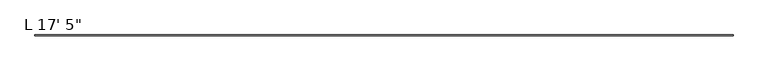
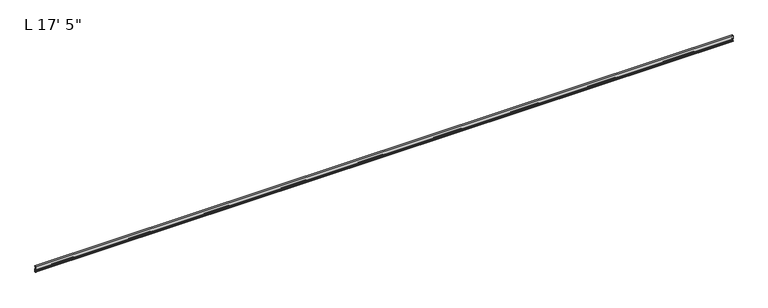
"""IFC4 building model written with IfcOpenShell, lengths in millimetres: proxy geometry."""

from ifc_helpers import new_model, si_unit, point, frame, frame_2d, origin, place, context, project, spatial, polyline, circle_curve, trimmed, segment, composite_curve, outline, extrude, source, transform, mapped, element, save


def proxy_025b324b(model_context):
    return source(origin(), model_context, "Body", "SweptSolid", [
        extrude(outline(composite_curve([segment(trimmed(circle_curve(frame_2d((14.5481808, -29.2063136)), 3.048), [point((13.6400687, -32.1158903))], [point((11.9462301, -30.7938136))], False, "CARTESIAN"), True, "CONTINUOUS"), segment(trimmed(circle_curve(frame_2d((14.5481808, -29.2063136)), 3.048), [point((11.9462301, -30.7938136))], [point((13.6400687, -26.2967369))], False, "CARTESIAN"), True, "CONTINUOUS"), segment(polyline([(13.6400687, -26.2967369), (15.4364113, -25.7360779)]), True, "CONTINUOUS"), segment(trimmed(circle_curve(frame_2d((15.6245238, -26.2747792)), 0.5706009), [point((15.4364113, -25.7360779))], [point((16.1779173, -26.4138515))], False, "CARTESIAN"), True, "CONTINUOUS"), segment(trimmed(circle_curve(frame_2d((16.9169378, -26.5995734)), 0.762), [point((16.1779173, -26.4138515))], [point((16.9376166, -27.3612928))], True, "CARTESIAN"), True, "CONTINUOUS"), segment(trimmed(circle_curve(frame_2d((16.9545, -26.8535734)), 0.508), [point((16.9376166, -27.3612928))], [point((17.4625, -26.8535734))], True, "CARTESIAN"), True, "CONTINUOUS"), segment(polyline([(17.4625, -26.8535734), (17.4625, -15.6659614), (17.9716639, -14.7485418), (17.9716639, -13.408381), (17.4625, -12.4909614), (17.4625, -10.1123329)]), True, "CONTINUOUS"), segment(trimmed(circle_curve(frame_2d((15.875, -10.1123329)), 1.5875), [point((17.4625, -10.1123329))], [point((15.875, -8.5248329))], True, "CARTESIAN"), True, "CONTINUOUS"), segment(polyline([(15.875, -8.5248329), (11.1125, -8.5248329), (11.1125, 16.8792515), (19.05, 16.8792515), (19.05, 13.7042515), (17.4625, 13.7042515), (17.4625, 15.2917515), (12.7, 15.2917515), (12.7, -6.9145734), (17.4625, -6.9145734)]), True, "CONTINUOUS"), segment(trimmed(circle_curve(frame_2d((17.4625, -8.5020734)), 1.5875), [point((17.4625, -6.9145734))], [point((19.05, -8.5020734))], False, "CARTESIAN"), True, "CONTINUOUS"), segment(polyline([(19.05, -8.5020734), (19.05, -29.1395734), (17.7424378, -29.1395734)]), True, "CONTINUOUS"), segment(trimmed(circle_curve(frame_2d((17.7424378, -30.7270734)), 1.5875), [point((17.7424378, -29.1395734))], [point((16.1549378, -30.7270734))], True, "CARTESIAN"), True, "CONTINUOUS"), segment(polyline([(16.1549378, -30.7270734), (16.1549378, -32.2686835)]), True, "CONTINUOUS"), segment(trimmed(circle_curve(frame_2d((15.6853088, -32.2686835)), 0.4696291), [point((16.1549378, -32.2686835))], [point((15.4750158, -32.6885982))], False, "CARTESIAN"), True, "CONTINUOUS"), segment(polyline([(15.4750158, -32.6885982), (13.6400687, -32.1158903)]), True, "CONTINUOUS")], self_intersect=False)), frame((-5003.8, 0.0, 0.0), z_axis=(1.0, 0.0, 0.0), x_axis=(0.0, 1.0, 0.0)), (0.0, 0.0, 1.0), 5308.6),
    ])


if __name__ == "__main__":
    model = new_model("IFC4")
    model_context = context("Model", 3, world=origin())
    ifc_project = project(units=[si_unit("LENGTHUNIT", "METRE", prefix="MILLI")], contexts=[model_context])
    site = spatial("IfcSite", under=ifc_project)
    building = spatial("IfcBuilding", under=site)
    placement = place(None, origin())
    proxy_shape = proxy_025b324b(model_context)
    element("IfcBuildingElementProxy", 1, Name="L 17' 5\"", ObjectType="L 17' 5\"", at=placement, inside=building, context=model_context, shape_type="MappedRepresentation", body=[
        mapped(proxy_shape, transform((0.0, 0.0, 0.0), x_axis=(1.0, 0.0, 0.0), y_axis=(0.0, 1.0, 0.0), z_axis=(0.0, 0.0, 1.0))),
    ])
    save(model, "model.ifc")
